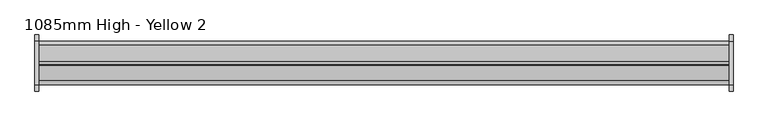
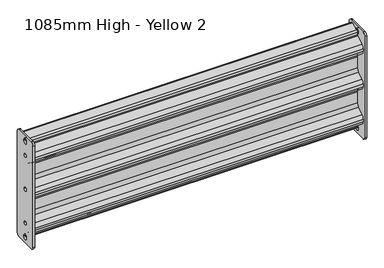
"""IFC4 building model written with IfcOpenShell, lengths in millimetres: proxy geometry, 1085mm High - Yellow 2."""

from ifc_helpers import new_model, si_unit, frame, origin, place, context, project, spatial, polyline, circle_curve, source, transform, mapped, element, save
from ifc_brep_helpers import plane_surface, cylinder_surface, revolved_surface, advanced_brep


def proxy_1085mm_high_yellow_2_5684247f(model_context):
    return source(origin(), model_context, "Body", "AdvancedBrep", [
        advanced_brep(
        [(56.0, 35.0300035, 1063.0), (56.0, -34.9699965, 1063.0), (56.0, -44.9699965, 1053.0), (56.0, -44.9699965, 693.0), (56.0, -34.9699965, 683.0), (56.0, 35.0300035, 683.0), (56.0, 45.0300035, 693.0), (56.0, 45.0300035, 1053.0), (56.0, -6.0, 993.0), (56.0, 6.0, 993.0), (56.0, -6.0, 873.0), (56.0, 6.0, 873.0), (56.0, -6.0, 753.0), (56.0, 6.0, 753.0), (56.0, 7.5, 1044.5136996), (56.0, 7.5, 1041.5136996), (56.0, 0.936228, 1034.0723639), (56.0, 0.936228, 1032.1716808), (56.0, -1.9307238, 1027.0546495), (56.0, -26.2465081, 1012.166618), (56.0, -31.9804117, 1001.9325554), (56.0, -31.9804117, 993.5396002), (56.0, -26.8156196, 983.6765412), (56.0, -6.7231133, 969.7522143), (56.0, 1.0240748, 954.9576258), (56.0, 1.0240748, 915.9623797), (56.0, -6.7920408, 901.1202606), (56.0, -26.7651814, 887.4157381), (56.0, -31.9759252, 877.520992), (56.0, -31.9759252, 868.479008), (56.0, -26.7651814, 858.5842619), (56.0, -6.7920408, 844.8797394), (56.0, 1.0240748, 830.0376203), (56.0, 1.0240748, 791.0423742), (56.0, -6.7231133, 776.2477857), (56.0, -26.8156196, 762.3234588), (56.0, -31.9804117, 752.4603998), (56.0, -31.9804117, 744.0674446), (56.0, -26.2465081, 733.833382), (56.0, -1.9307238, 718.9453505), (56.0, 0.936228, 713.8283192), (56.0, 0.936228, 711.9276361), (56.0, 7.5, 704.4863004), (56.0, 7.5, 701.4863004), (56.0, 7.4549794, 700.6657628), (56.0, 30.0143199, 693.6032957), (56.0, 31.1858037, 696.359569), (56.0, 1.4807117, 712.7832037), (56.0, 2.9322889, 715.4086416), (56.0, 32.6373808, 698.9850068), (56.0, 29.0759346, 690.7534924), (56.0, 6.5369541, 697.8095856), (56.0, -7.5, 701.4863004), (56.0, -7.5, 704.4863004), (56.0, -2.063772, 711.6967681), (56.0, -2.063772, 713.8283192), (56.0, -3.4972479, 716.3868348), (56.0, -27.8130322, 731.2748664), (56.0, -34.9804117, 744.0674446), (56.0, -34.9804117, 752.4603998), (56.0, -28.5244216, 764.7892235), (56.0, -8.4319153, 778.7135504), (56.0, -1.9759252, 791.0423742), (56.0, -1.9759252, 830.0376203), (56.0, -8.4893548, 842.4060529), (56.0, -28.4624955, 856.1105754), (56.0, -34.9759252, 868.479008), (56.0, -34.9759252, 877.520992), (56.0, -28.4624955, 889.8894246), (56.0, -8.4893548, 903.5939471), (56.0, -1.9759252, 915.9623797), (56.0, -1.9759252, 954.9576258), (56.0, -8.4319153, 967.2864496), (56.0, -28.5244216, 981.2107765), (56.0, -34.9804117, 993.5396002), (56.0, -34.9804117, 1001.9325554), (56.0, -27.8130322, 1014.7251336), (56.0, -3.4972479, 1029.6131652), (56.0, -2.063772, 1032.1716808), (56.0, -2.063772, 1034.3032319), (56.0, -7.5, 1041.5136996), (56.0, -7.5, 1044.5136996), (56.0, 6.5369541, 1048.1904144), (56.0, 29.0759346, 1055.2465076), (56.0, 32.5942872, 1046.9911672), (56.0, 2.9322889, 1030.5913584), (56.0, 1.4807117, 1033.2167963), (56.0, 31.1858037, 1049.640431), (56.0, 30.0143199, 1052.3967043), (56.0, 7.4549794, 1045.3342372), (50.0, 35.0300035, 1063.0), (50.0, 45.0300035, 1053.0), (50.0, 45.0300035, 693.0), (50.0, 35.0300035, 683.0), (50.0, -34.9699965, 683.0), (50.0, -44.9699965, 693.0), (50.0, -44.9699965, 1053.0), (50.0, -34.9699965, 1063.0), (50.0, -6.0, 993.0), (50.0, 6.0, 993.0), (50.0, -6.0, 873.0), (50.0, 6.0, 873.0), (50.0, -6.0, 753.0), (50.0, 6.0, 753.0), (50.0, 7.5, 1044.5136996), (50.0, -7.5, 1044.5136996), (50.0, -7.5, 1041.5136996), (50.0, 7.5, 1041.5136996), (50.0, -7.5, 701.4863004), (50.0, 7.5, 701.4863004), (50.0, 7.5, 704.4863004), (50.0, -7.5, 704.4863004), (1164.0, 2.8448844, 1047.0345686), (1164.0, -2.063772, 1040.354278), (1164.0, -2.063772, 1034.3032319), (1164.0, 0.936228, 1034.0723639), (1164.0, 0.936228, 1040.354278), (1164.0, 3.7411745, 1044.1715869), (1164.0, 7.4549794, 1045.3342372), (1164.0, 6.5369541, 1048.1904144), (1164.0, -2.063772, 705.645722), (1164.0, 2.8448844, 698.9654314), (1164.0, 6.5369541, 697.8095856), (1164.0, 7.4549794, 700.6657628), (1164.0, 3.7411745, 701.8284131), (1164.0, 0.936228, 705.645722), (1164.0, 0.936228, 711.9276361), (1164.0, -2.063772, 711.6967681), (56.0, 3.7411745, 1044.1715869), (56.0, 0.936228, 1040.354278), (56.0, -2.063772, 1040.354278), (56.0, 2.8448844, 1047.0345686), (56.0, 0.936228, 705.645722), (56.0, 3.7411745, 701.8284131), (56.0, 2.8448844, 698.9654314), (56.0, -2.063772, 705.645722), (1164.0, 32.5942872, 1046.9911672), (1164.0, 29.0759346, 1055.2465076), (1164.0, -2.063772, 1032.1716808), (1164.0, -3.4972479, 1029.6131652), (1164.0, -27.8130322, 1014.7251336), (1164.0, -34.9804117, 1001.9325554), (1164.0, -34.9804117, 993.5396002), (1164.0, -28.5244216, 981.2107765), (1164.0, -8.4319153, 967.2864496), (1164.0, -1.9759252, 954.9576258), (1164.0, -1.9759252, 915.9623797), (1164.0, -8.4893548, 903.5939471), (1164.0, -28.4624955, 889.8894246), (1164.0, -34.9759252, 877.520992), (1164.0, -34.9759252, 868.479008), (1164.0, -28.4624955, 856.1105754), (1164.0, -8.4893548, 842.4060529), (1164.0, -1.9759252, 830.0376203), (1164.0, -1.9759252, 791.0423742), (1164.0, -8.4319153, 778.7135504), (1164.0, -28.5244216, 764.7892235), (1164.0, -34.9804117, 752.4603998), (1164.0, -34.9804117, 744.0674446), (1164.0, -27.8130322, 731.2748664), (1164.0, -3.4972479, 716.3868348), (1164.0, -2.063772, 713.8283192), (1164.0, 29.0759346, 690.7534924), (1164.0, 32.6373808, 698.9850068), (1164.0, 2.9322889, 715.4086416), (1164.0, 1.4807117, 712.7832037), (1164.0, 31.1858037, 696.359569), (1164.0, 30.0143199, 693.6032957), (1164.0, 0.936228, 713.8283192), (1164.0, -1.9307238, 718.9453505), (1164.0, -26.2465081, 733.833382), (1164.0, -31.9804117, 744.0674446), (1164.0, -31.9804117, 752.4603998), (1164.0, -26.8156196, 762.3234588), (1164.0, -6.7231133, 776.2477857), (1164.0, 1.0240748, 791.0423742), (1164.0, 1.0240748, 830.0376203), (1164.0, -6.7920408, 844.8797394), (1164.0, -26.7651814, 858.5842619), (1164.0, -31.9759252, 868.479008), (1164.0, -31.9759252, 877.520992), (1164.0, -26.7651814, 887.4157381), (1164.0, -6.7920408, 901.1202606), (1164.0, 1.0240748, 915.9623797), (1164.0, 1.0240748, 954.9576258), (1164.0, -6.7231133, 969.7522143), (1164.0, -26.8156196, 983.6765412), (1164.0, -31.9804117, 993.5396002), (1164.0, -31.9804117, 1001.9325554), (1164.0, -26.2465081, 1012.166618), (1164.0, -1.9307238, 1027.0546495), (1164.0, 0.936228, 1032.1716808), (1164.0, 30.0143199, 1052.3967043), (1164.0, 31.1858037, 1049.640431), (1164.0, 1.4807117, 1033.2167963), (1164.0, 2.9322889, 1030.5913584), (1164.0, -34.9699965, 683.0), (1164.0, -44.9699965, 693.0), (1164.0, -44.9699965, 1053.0), (1164.0, -34.9699965, 1063.0), (1164.0, 35.0300035, 1063.0), (1164.0, 45.0300035, 1053.0), (1164.0, 45.0300035, 693.0), (1164.0, 35.0300035, 683.0), (1164.0, -6.0, 993.0), (1164.0, 6.0, 993.0), (1164.0, -6.0, 873.0), (1164.0, 6.0, 873.0), (1164.0, -6.0, 753.0), (1164.0, 6.0, 753.0), (1164.0, -7.5, 704.4863004), (1164.0, -7.5, 701.4863004), (1164.0, 7.5, 701.4863004), (1164.0, 7.5, 704.4863004), (1164.0, 7.5, 1041.5136996), (1164.0, 7.5, 1044.5136996), (1164.0, -7.5, 1044.5136996), (1164.0, -7.5, 1041.5136996), (1170.0, -34.9699965, 683.0), (1170.0, 35.0300035, 683.0), (1170.0, 45.0300035, 693.0), (1170.0, 45.0300035, 1053.0), (1170.0, 35.0300035, 1063.0), (1170.0, -34.9699965, 1063.0), (1170.0, -44.9699965, 1053.0), (1170.0, -44.9699965, 693.0), (1170.0, -6.0, 993.0), (1170.0, 6.0, 993.0), (1170.0, -6.0, 873.0), (1170.0, 6.0, 873.0), (1170.0, -6.0, 753.0), (1170.0, 6.0, 753.0), (1170.0, -7.5, 704.4863004), (1170.0, 7.5, 704.4863004), (1170.0, 7.5, 701.4863004), (1170.0, -7.5, 701.4863004), (1170.0, -7.5, 1044.5136996), (1170.0, 7.5, 1044.5136996), (1170.0, 7.5, 1041.5136996), (1170.0, -7.5, 1041.5136996)],
        [
            (0, 1),
            (1, 2, circle_curve(frame((56.0, -34.9699965, 1053.0), z_axis=(1.0, 0.0, 0.0), x_axis=(0.0, 1.0, 0.0)), 10.0)),
            (2, 3),
            (3, 4, circle_curve(frame((56.0, -34.9699965, 693.0), z_axis=(1.0, 0.0, 0.0), x_axis=(0.0, 1.0, 0.0)), 10.0)),
            (4, 5),
            (5, 6, circle_curve(frame((56.0, 35.0300035, 693.0), z_axis=(1.0, 0.0, 0.0), x_axis=(0.0, 1.0, 0.0)), 10.0)),
            (6, 7),
            (7, 0, circle_curve(frame((56.0, 35.0300035, 1053.0), z_axis=(1.0, 0.0, 0.0), x_axis=(0.0, 1.0, 0.0)), 10.0)),
            (8, 9, circle_curve(frame((56.0, 0.0, 993.0), z_axis=(-1.0, 0.0, 0.0), x_axis=(0.0, 1.0, 0.0)), 6.0)),
            (9, 8, circle_curve(frame((56.0, 0.0, 993.0), z_axis=(-1.0, 0.0, 0.0), x_axis=(0.0, 1.0, 0.0)), 6.0)),
            (10, 11, circle_curve(frame((56.0, 0.0, 873.0), z_axis=(-1.0, 0.0, 0.0), x_axis=(0.0, 1.0, 0.0)), 6.0)),
            (11, 10, circle_curve(frame((56.0, 0.0, 873.0), z_axis=(-1.0, 0.0, 0.0), x_axis=(0.0, 1.0, 0.0)), 6.0)),
            (12, 13, circle_curve(frame((56.0, 0.0, 753.0), z_axis=(-1.0, 0.0, 0.0), x_axis=(0.0, 1.0, 0.0)), 6.0)),
            (13, 12, circle_curve(frame((56.0, 0.0, 753.0), z_axis=(-1.0, 0.0, 0.0), x_axis=(0.0, 1.0, 0.0)), 6.0)),
            (14, 15),
            (15, 16, circle_curve(frame((56.0, 0.0, 1041.5136996), z_axis=(-1.0, 0.0, 0.0), x_axis=(0.0, 1.0, 0.0)), 7.5)),
            (16, 17),
            (17, 18, circle_curve(frame((56.0, -5.063772, 1032.1716808), z_axis=(-1.0, 0.0, 0.0), x_axis=(0.0, 1.0, 0.0)), 6.0)),
            (18, 19),
            (19, 20, circle_curve(frame((56.0, -19.9804117, 1001.9325554), z_axis=(1.0, 0.0, 0.0), x_axis=(0.0, 1.0, 0.0)), 12.0)),
            (20, 21),
            (21, 22, circle_curve(frame((56.0, -19.9804117, 993.5396002), z_axis=(1.0, 0.0, 0.0), x_axis=(0.0, 1.0, 0.0)), 12.0)),
            (22, 23),
            (23, 24, circle_curve(frame((56.0, -16.9759252, 954.9576258), z_axis=(-1.0, 0.0, 0.0), x_axis=(0.0, 1.0, 0.0)), 18.0)),
            (24, 25),
            (25, 26, circle_curve(frame((56.0, -16.9759252, 915.9623797), z_axis=(-1.0, 0.0, 0.0), x_axis=(0.0, 1.0, 0.0)), 18.0)),
            (26, 27),
            (27, 28, circle_curve(frame((56.0, -19.9759252, 877.520992), z_axis=(1.0, 0.0, 0.0), x_axis=(0.0, 1.0, 0.0)), 12.0)),
            (28, 29),
            (29, 30, circle_curve(frame((56.0, -19.9759252, 868.479008), z_axis=(1.0, 0.0, 0.0), x_axis=(0.0, 1.0, 0.0)), 12.0)),
            (30, 31),
            (31, 32, circle_curve(frame((56.0, -16.9759252, 830.0376203), z_axis=(-1.0, 0.0, 0.0), x_axis=(0.0, 1.0, 0.0)), 18.0)),
            (32, 33),
            (33, 34, circle_curve(frame((56.0, -16.9759252, 791.0423742), z_axis=(-1.0, 0.0, 0.0), x_axis=(0.0, 1.0, 0.0)), 18.0)),
            (34, 35),
            (35, 36, circle_curve(frame((56.0, -19.9804117, 752.4603998), z_axis=(1.0, 0.0, 0.0), x_axis=(0.0, 1.0, 0.0)), 12.0)),
            (36, 37),
            (37, 38, circle_curve(frame((56.0, -19.9804117, 744.0674446), z_axis=(1.0, 0.0, 0.0), x_axis=(0.0, 1.0, 0.0)), 12.0)),
            (38, 39),
            (39, 40, circle_curve(frame((56.0, -5.063772, 713.8283192), z_axis=(-1.0, 0.0, 0.0), x_axis=(0.0, 1.0, 0.0)), 6.0)),
            (40, 41),
            (41, 42, circle_curve(frame((56.0, 0.0, 704.4863004), z_axis=(-1.0, 0.0, 0.0), x_axis=(0.0, 1.0, 0.0)), 7.5)),
            (42, 43),
            (43, 44, circle_curve(frame((56.0, 0.0, 701.4863004), z_axis=(-1.0, 0.0, 0.0), x_axis=(0.0, 1.0, 0.0)), 7.5)),
            (44, 45),
            (45, 46, circle_curve(frame((56.0, 30.5195883, 695.0156356), z_axis=(1.0, 0.0, 0.0), x_axis=(0.0, 1.0, 0.0)), 1.5)),
            (46, 47),
            (47, 48),
            (48, 49),
            (49, 50, circle_curve(frame((56.0, 30.5119618, 695.0183857), z_axis=(-1.0, 0.0, 0.0), x_axis=(0.0, 1.0, 0.0)), 4.5001654)),
            (50, 51),
            (51, 52, circle_curve(frame((56.0, 0.0, 701.4863004), z_axis=(-1.0, 0.0, 0.0), x_axis=(0.0, 1.0, 0.0)), 7.5)),
            (52, 53),
            (53, 54, circle_curve(frame((56.0, 0.0, 704.4863004), z_axis=(-1.0, 0.0, 0.0), x_axis=(0.0, 1.0, 0.0)), 7.5)),
            (54, 55),
            (55, 56, circle_curve(frame((56.0, -5.063772, 713.8283192), z_axis=(1.0, 0.0, 0.0), x_axis=(0.0, 1.0, 0.0)), 3.0)),
            (56, 57),
            (57, 58, circle_curve(frame((56.0, -19.9804117, 744.0674446), z_axis=(-1.0, 0.0, 0.0), x_axis=(0.0, 1.0, 0.0)), 15.0)),
            (58, 59),
            (59, 60, circle_curve(frame((56.0, -19.9804117, 752.4603998), z_axis=(-1.0, 0.0, 0.0), x_axis=(0.0, 1.0, 0.0)), 15.0)),
            (60, 61),
            (61, 62, circle_curve(frame((56.0, -16.9759252, 791.0423742), z_axis=(1.0, 0.0, 0.0), x_axis=(0.0, 1.0, 0.0)), 15.0)),
            (62, 63),
            (63, 64, circle_curve(frame((56.0, -16.9759252, 830.0376203), z_axis=(1.0, 0.0, 0.0), x_axis=(0.0, 1.0, 0.0)), 15.0)),
            (64, 65),
            (65, 66, circle_curve(frame((56.0, -19.9759252, 868.479008), z_axis=(-1.0, 0.0, 0.0), x_axis=(0.0, 1.0, 0.0)), 15.0)),
            (66, 67),
            (67, 68, circle_curve(frame((56.0, -19.9759252, 877.520992), z_axis=(-1.0, 0.0, 0.0), x_axis=(0.0, 1.0, 0.0)), 15.0)),
            (68, 69),
            (69, 70, circle_curve(frame((56.0, -16.9759252, 915.9623797), z_axis=(1.0, 0.0, 0.0), x_axis=(0.0, 1.0, 0.0)), 15.0)),
            (70, 71),
            (71, 72, circle_curve(frame((56.0, -16.9759252, 954.9576258), z_axis=(1.0, 0.0, 0.0), x_axis=(0.0, 1.0, 0.0)), 15.0)),
            (72, 73),
            (73, 74, circle_curve(frame((56.0, -19.9804117, 993.5396002), z_axis=(-1.0, 0.0, 0.0), x_axis=(0.0, 1.0, 0.0)), 15.0)),
            (74, 75),
            (75, 76, circle_curve(frame((56.0, -19.9804117, 1001.9325554), z_axis=(-1.0, 0.0, 0.0), x_axis=(0.0, 1.0, 0.0)), 15.0)),
            (76, 77),
            (77, 78, circle_curve(frame((56.0, -5.063772, 1032.1716808), z_axis=(1.0, 0.0, 0.0), x_axis=(0.0, 1.0, 0.0)), 3.0)),
            (78, 79),
            (79, 80, circle_curve(frame((56.0, 0.0, 1041.5136996), z_axis=(-1.0, 0.0, 0.0), x_axis=(0.0, 1.0, 0.0)), 7.5)),
            (80, 81),
            (81, 82, circle_curve(frame((56.0, 0.0, 1044.5136996), z_axis=(-1.0, 0.0, 0.0), x_axis=(0.0, 1.0, 0.0)), 7.5)),
            (82, 83),
            (83, 84, circle_curve(frame((56.0, 30.5195883, 1050.9843644), z_axis=(-1.0, 0.0, 0.0), x_axis=(0.0, 1.0, 0.0)), 4.5)),
            (84, 85),
            (85, 86),
            (86, 87),
            (87, 88, circle_curve(frame((56.0, 30.5195883, 1050.9843644), z_axis=(1.0, 0.0, 0.0), x_axis=(0.0, 1.0, 0.0)), 1.5)),
            (88, 89),
            (89, 14, circle_curve(frame((56.0, 0.0, 1044.5136996), z_axis=(-1.0, 0.0, 0.0), x_axis=(0.0, 1.0, 0.0)), 7.5)),
            (90, 91, circle_curve(frame((50.0, 35.0300035, 1053.0), z_axis=(-1.0, 0.0, 0.0), x_axis=(0.0, 1.0, 0.0)), 10.0)),
            (91, 92),
            (92, 93, circle_curve(frame((50.0, 35.0300035, 693.0), z_axis=(-1.0, 0.0, 0.0), x_axis=(0.0, 1.0, 0.0)), 10.0)),
            (93, 94),
            (94, 95, circle_curve(frame((50.0, -34.9699965, 693.0), z_axis=(-1.0, 0.0, 0.0), x_axis=(0.0, 1.0, 0.0)), 10.0)),
            (95, 96),
            (96, 97, circle_curve(frame((50.0, -34.9699965, 1053.0), z_axis=(-1.0, 0.0, 0.0), x_axis=(0.0, 1.0, 0.0)), 10.0)),
            (97, 90),
            (98, 99, circle_curve(frame((50.0, 0.0, 993.0), z_axis=(1.0, 0.0, 0.0), x_axis=(0.0, 1.0, 0.0)), 6.0)),
            (99, 98, circle_curve(frame((50.0, 0.0, 993.0), z_axis=(1.0, 0.0, 0.0), x_axis=(0.0, 1.0, 0.0)), 6.0)),
            (100, 101, circle_curve(frame((50.0, 0.0, 873.0), z_axis=(1.0, 0.0, 0.0), x_axis=(0.0, 1.0, 0.0)), 6.0)),
            (101, 100, circle_curve(frame((50.0, 0.0, 873.0), z_axis=(1.0, 0.0, 0.0), x_axis=(0.0, 1.0, 0.0)), 6.0)),
            (102, 103, circle_curve(frame((50.0, 0.0, 753.0), z_axis=(1.0, 0.0, 0.0), x_axis=(0.0, 1.0, 0.0)), 6.0)),
            (103, 102, circle_curve(frame((50.0, 0.0, 753.0), z_axis=(1.0, 0.0, 0.0), x_axis=(0.0, 1.0, 0.0)), 6.0)),
            (104, 105, circle_curve(frame((50.0, 0.0, 1044.5136996), z_axis=(1.0, 0.0, 0.0), x_axis=(0.0, 1.0, 0.0)), 7.5)),
            (105, 106),
            (106, 107, circle_curve(frame((50.0, 0.0, 1041.5136996), z_axis=(1.0, 0.0, 0.0), x_axis=(0.0, 1.0, 0.0)), 7.5)),
            (107, 104),
            (108, 109, circle_curve(frame((50.0, 0.0, 701.4863004), z_axis=(1.0, 0.0, 0.0), x_axis=(0.0, 1.0, 0.0)), 7.5)),
            (109, 110),
            (110, 111, circle_curve(frame((50.0, 0.0, 704.4863004), z_axis=(1.0, 0.0, 0.0), x_axis=(0.0, 1.0, 0.0)), 7.5)),
            (111, 108),
            (0, 90),
            (97, 1),
            (96, 2),
            (95, 3),
            (94, 4),
            (93, 5),
            (92, 6),
            (91, 7),
            (8, 98),
            (99, 9),
            (10, 100),
            (101, 11),
            (12, 102),
            (103, 13),
            (14, 104),
            (107, 15),
            (106, 80),
            (79, 16, circle_curve(frame((56.0, 0.0, 1041.5136996), z_axis=(1.0, 0.0, 0.0), x_axis=(0.0, 1.0, 0.0)), 7.5)),
            (105, 81),
            (89, 82, circle_curve(frame((56.0, 0.0, 1044.5136996), z_axis=(1.0, 0.0, 0.0), x_axis=(0.0, 1.0, 0.0)), 7.5)),
            (52, 108),
            (111, 53),
            (110, 42),
            (41, 54, circle_curve(frame((56.0, 0.0, 704.4863004), z_axis=(1.0, 0.0, 0.0), x_axis=(0.0, 1.0, 0.0)), 7.5)),
            (109, 43),
            (51, 44, circle_curve(frame((56.0, 0.0, 701.4863004), z_axis=(1.0, 0.0, 0.0), x_axis=(0.0, 1.0, 0.0)), 7.5)),
            (112, 113, circle_curve(frame((1164.0, 4.936228, 1040.354278), z_axis=(1.0, 0.0, 0.0), x_axis=(0.0, 1.0, 0.0)), 7.0)),
            (113, 114),
            (114, 115, circle_curve(frame((1164.0, 0.0, 1041.5136996), z_axis=(1.0, 0.0, 0.0), x_axis=(0.0, 1.0, 0.0)), 7.5)),
            (115, 116),
            (116, 117, circle_curve(frame((1164.0, 4.936228, 1040.354278), z_axis=(-1.0, 0.0, 0.0), x_axis=(0.0, 1.0, 0.0)), 4.0)),
            (117, 118),
            (118, 119, circle_curve(frame((1164.0, 0.0, 1044.5136996), z_axis=(1.0, 0.0, 0.0), x_axis=(0.0, 1.0, 0.0)), 7.5)),
            (119, 112),
            (120, 121, circle_curve(frame((1164.0, 4.936228, 705.645722), z_axis=(1.0, 0.0, 0.0), x_axis=(0.0, 1.0, 0.0)), 7.0)),
            (121, 122),
            (122, 123, circle_curve(frame((1164.0, 0.0, 701.4863004), z_axis=(1.0, 0.0, 0.0), x_axis=(0.0, 1.0, 0.0)), 7.5)),
            (123, 124),
            (124, 125, circle_curve(frame((1164.0, 4.936228, 705.645722), z_axis=(-1.0, 0.0, 0.0), x_axis=(0.0, 1.0, 0.0)), 4.0)),
            (125, 126),
            (126, 127, circle_curve(frame((1164.0, 0.0, 704.4863004), z_axis=(1.0, 0.0, 0.0), x_axis=(0.0, 1.0, 0.0)), 7.5)),
            (127, 120),
            (128, 129, circle_curve(frame((56.0, 4.936228, 1040.354278), z_axis=(1.0, 0.0, 0.0), x_axis=(0.0, 1.0, 0.0)), 4.0)),
            (129, 16),
            (79, 130),
            (130, 131, circle_curve(frame((56.0, 4.936228, 1040.354278), z_axis=(-1.0, 0.0, 0.0), x_axis=(0.0, 1.0, 0.0)), 7.0)),
            (131, 82),
            (89, 128),
            (132, 133, circle_curve(frame((56.0, 4.936228, 705.645722), z_axis=(1.0, 0.0, 0.0), x_axis=(0.0, 1.0, 0.0)), 4.0)),
            (133, 44),
            (51, 134),
            (134, 135, circle_curve(frame((56.0, 4.936228, 705.645722), z_axis=(-1.0, 0.0, 0.0), x_axis=(0.0, 1.0, 0.0)), 7.0)),
            (135, 54),
            (41, 132),
            (136, 84),
            (83, 137),
            (137, 136, circle_curve(frame((1164.0, 30.5195883, 1050.9843644), z_axis=(-1.0, 0.0, 0.0), x_axis=(0.0, 1.0, 0.0)), 4.5)),
            (131, 112),
            (119, 137),
            (130, 113),
            (78, 138),
            (138, 114),
            (77, 139),
            (139, 138, circle_curve(frame((1164.0, -5.063772, 1032.1716808), z_axis=(1.0, 0.0, 0.0), x_axis=(0.0, 1.0, 0.0)), 3.0)),
            (76, 140),
            (140, 139),
            (75, 141),
            (141, 140, circle_curve(frame((1164.0, -19.9804117, 1001.9325554), z_axis=(-1.0, 0.0, 0.0), x_axis=(0.0, 1.0, 0.0)), 15.0)),
            (74, 142),
            (142, 141),
            (73, 143),
            (143, 142, circle_curve(frame((1164.0, -19.9804117, 993.5396002), z_axis=(-1.0, 0.0, 0.0), x_axis=(0.0, 1.0, 0.0)), 15.0)),
            (72, 144),
            (144, 143),
            (71, 145),
            (145, 144, circle_curve(frame((1164.0, -16.9759252, 954.9576258), z_axis=(1.0, 0.0, 0.0), x_axis=(0.0, 1.0, 0.0)), 15.0)),
            (70, 146),
            (146, 145),
            (69, 147),
            (147, 146, circle_curve(frame((1164.0, -16.9759252, 915.9623797), z_axis=(1.0, 0.0, 0.0), x_axis=(0.0, 1.0, 0.0)), 15.0)),
            (68, 148),
            (148, 147),
            (67, 149),
            (149, 148, circle_curve(frame((1164.0, -19.9759252, 877.520992), z_axis=(-1.0, 0.0, 0.0), x_axis=(0.0, 1.0, 0.0)), 15.0)),
            (66, 150),
            (150, 149),
            (65, 151),
            (151, 150, circle_curve(frame((1164.0, -19.9759252, 868.479008), z_axis=(-1.0, 0.0, 0.0), x_axis=(0.0, 1.0, 0.0)), 15.0)),
            (64, 152),
            (152, 151),
            (63, 153),
            (153, 152, circle_curve(frame((1164.0, -16.9759252, 830.0376203), z_axis=(1.0, 0.0, 0.0), x_axis=(0.0, 1.0, 0.0)), 15.0)),
            (62, 154),
            (154, 153),
            (61, 155),
            (155, 154, circle_curve(frame((1164.0, -16.9759252, 791.0423742), z_axis=(1.0, 0.0, 0.0), x_axis=(0.0, 1.0, 0.0)), 15.0)),
            (60, 156),
            (156, 155),
            (59, 157),
            (157, 156, circle_curve(frame((1164.0, -19.9804117, 752.4603998), z_axis=(-1.0, 0.0, 0.0), x_axis=(0.0, 1.0, 0.0)), 15.0)),
            (58, 158),
            (158, 157),
            (57, 159),
            (159, 158, circle_curve(frame((1164.0, -19.9804117, 744.0674446), z_axis=(-1.0, 0.0, 0.0), x_axis=(0.0, 1.0, 0.0)), 15.0)),
            (56, 160),
            (160, 159),
            (55, 161),
            (161, 160, circle_curve(frame((1164.0, -5.063772, 713.8283192), z_axis=(1.0, 0.0, 0.0), x_axis=(0.0, 1.0, 0.0)), 3.0)),
            (135, 120),
            (127, 161),
            (134, 121),
            (50, 162),
            (162, 122),
            (49, 163),
            (163, 162, circle_curve(frame((1164.0, 30.5119618, 695.0183857), z_axis=(-1.0, 0.0, 0.0), x_axis=(0.0, 1.0, 0.0)), 4.5001654)),
            (48, 164),
            (164, 163),
            (47, 165),
            (165, 164),
            (46, 166),
            (166, 165),
            (45, 167),
            (167, 166, circle_curve(frame((1164.0, 30.5195883, 695.0156356), z_axis=(1.0, 0.0, 0.0), x_axis=(0.0, 1.0, 0.0)), 1.5)),
            (133, 124),
            (123, 167),
            (132, 125),
            (40, 168),
            (168, 126),
            (39, 169),
            (169, 168, circle_curve(frame((1164.0, -5.063772, 713.8283192), z_axis=(-1.0, 0.0, 0.0), x_axis=(0.0, 1.0, 0.0)), 6.0)),
            (38, 170),
            (170, 169),
            (37, 171),
            (171, 170, circle_curve(frame((1164.0, -19.9804117, 744.0674446), z_axis=(1.0, 0.0, 0.0), x_axis=(0.0, 1.0, 0.0)), 12.0)),
            (36, 172),
            (172, 171),
            (35, 173),
            (173, 172, circle_curve(frame((1164.0, -19.9804117, 752.4603998), z_axis=(1.0, 0.0, 0.0), x_axis=(0.0, 1.0, 0.0)), 12.0)),
            (34, 174),
            (174, 173),
            (33, 175),
            (175, 174, circle_curve(frame((1164.0, -16.9759252, 791.0423742), z_axis=(-1.0, 0.0, 0.0), x_axis=(0.0, 1.0, 0.0)), 18.0)),
            (32, 176),
            (176, 175),
            (31, 177),
            (177, 176, circle_curve(frame((1164.0, -16.9759252, 830.0376203), z_axis=(-1.0, 0.0, 0.0), x_axis=(0.0, 1.0, 0.0)), 18.0)),
            (30, 178),
            (178, 177),
            (29, 179),
            (179, 178, circle_curve(frame((1164.0, -19.9759252, 868.479008), z_axis=(1.0, 0.0, 0.0), x_axis=(0.0, 1.0, 0.0)), 12.0)),
            (28, 180),
            (180, 179),
            (27, 181),
            (181, 180, circle_curve(frame((1164.0, -19.9759252, 877.520992), z_axis=(1.0, 0.0, 0.0), x_axis=(0.0, 1.0, 0.0)), 12.0)),
            (26, 182),
            (182, 181),
            (25, 183),
            (183, 182, circle_curve(frame((1164.0, -16.9759252, 915.9623797), z_axis=(-1.0, 0.0, 0.0), x_axis=(0.0, 1.0, 0.0)), 18.0)),
            (24, 184),
            (184, 183),
            (23, 185),
            (185, 184, circle_curve(frame((1164.0, -16.9759252, 954.9576258), z_axis=(-1.0, 0.0, 0.0), x_axis=(0.0, 1.0, 0.0)), 18.0)),
            (22, 186),
            (186, 185),
            (21, 187),
            (187, 186, circle_curve(frame((1164.0, -19.9804117, 993.5396002), z_axis=(1.0, 0.0, 0.0), x_axis=(0.0, 1.0, 0.0)), 12.0)),
            (20, 188),
            (188, 187),
            (19, 189),
            (189, 188, circle_curve(frame((1164.0, -19.9804117, 1001.9325554), z_axis=(1.0, 0.0, 0.0), x_axis=(0.0, 1.0, 0.0)), 12.0)),
            (18, 190),
            (190, 189),
            (17, 191),
            (191, 190, circle_curve(frame((1164.0, -5.063772, 1032.1716808), z_axis=(-1.0, 0.0, 0.0), x_axis=(0.0, 1.0, 0.0)), 6.0)),
            (129, 116),
            (115, 191),
            (128, 117),
            (88, 192),
            (192, 118),
            (87, 193),
            (193, 192, circle_curve(frame((1164.0, 30.5195883, 1050.9843644), z_axis=(1.0, 0.0, 0.0), x_axis=(0.0, 1.0, 0.0)), 1.5)),
            (86, 194),
            (194, 193),
            (85, 195),
            (195, 194),
            (136, 195),
            (196, 197, circle_curve(frame((1164.0, -34.9699965, 693.0), z_axis=(-1.0, 0.0, 0.0), x_axis=(0.0, 1.0, 0.0)), 10.0)),
            (197, 198),
            (198, 199, circle_curve(frame((1164.0, -34.9699965, 1053.0), z_axis=(-1.0, 0.0, 0.0), x_axis=(0.0, 1.0, 0.0)), 10.0)),
            (199, 200),
            (200, 201, circle_curve(frame((1164.0, 35.0300035, 1053.0), z_axis=(-1.0, 0.0, 0.0), x_axis=(0.0, 1.0, 0.0)), 10.0)),
            (201, 202),
            (202, 203, circle_curve(frame((1164.0, 35.0300035, 693.0), z_axis=(-1.0, 0.0, 0.0), x_axis=(0.0, 1.0, 0.0)), 10.0)),
            (203, 196),
            (204, 205, circle_curve(frame((1164.0, 0.0, 993.0), z_axis=(1.0, 0.0, 0.0), x_axis=(0.0, 1.0, 0.0)), 6.0)),
            (205, 204, circle_curve(frame((1164.0, 0.0, 993.0), z_axis=(1.0, 0.0, 0.0), x_axis=(0.0, 1.0, 0.0)), 6.0)),
            (206, 207, circle_curve(frame((1164.0, 0.0, 873.0), z_axis=(1.0, 0.0, 0.0), x_axis=(0.0, 1.0, 0.0)), 6.0)),
            (207, 206, circle_curve(frame((1164.0, 0.0, 873.0), z_axis=(1.0, 0.0, 0.0), x_axis=(0.0, 1.0, 0.0)), 6.0)),
            (208, 209, circle_curve(frame((1164.0, 0.0, 753.0), z_axis=(1.0, 0.0, 0.0), x_axis=(0.0, 1.0, 0.0)), 6.0)),
            (209, 208, circle_curve(frame((1164.0, 0.0, 753.0), z_axis=(1.0, 0.0, 0.0), x_axis=(0.0, 1.0, 0.0)), 6.0)),
            (210, 211),
            (211, 122, circle_curve(frame((1164.0, 0.0, 701.4863004), z_axis=(1.0, 0.0, 0.0), x_axis=(0.0, 1.0, 0.0)), 7.5)),
            (123, 212, circle_curve(frame((1164.0, 0.0, 701.4863004), z_axis=(1.0, 0.0, 0.0), x_axis=(0.0, 1.0, 0.0)), 7.5)),
            (212, 213),
            (213, 126, circle_curve(frame((1164.0, 0.0, 704.4863004), z_axis=(1.0, 0.0, 0.0), x_axis=(0.0, 1.0, 0.0)), 7.5)),
            (115, 214, circle_curve(frame((1164.0, 0.0, 1041.5136996), z_axis=(1.0, 0.0, 0.0), x_axis=(0.0, 1.0, 0.0)), 7.5)),
            (214, 215),
            (215, 118, circle_curve(frame((1164.0, 0.0, 1044.5136996), z_axis=(1.0, 0.0, 0.0), x_axis=(0.0, 1.0, 0.0)), 7.5)),
            (119, 216, circle_curve(frame((1164.0, 0.0, 1044.5136996), z_axis=(1.0, 0.0, 0.0), x_axis=(0.0, 1.0, 0.0)), 7.5)),
            (216, 217),
            (217, 114, circle_curve(frame((1164.0, 0.0, 1041.5136996), z_axis=(1.0, 0.0, 0.0), x_axis=(0.0, 1.0, 0.0)), 7.5)),
            (127, 210, circle_curve(frame((1164.0, 0.0, 704.4863004), z_axis=(1.0, 0.0, 0.0), x_axis=(0.0, 1.0, 0.0)), 7.5)),
            (218, 219),
            (219, 220, circle_curve(frame((1170.0, 35.0300035, 693.0), z_axis=(1.0, 0.0, 0.0), x_axis=(0.0, 1.0, 0.0)), 10.0)),
            (220, 221),
            (221, 222, circle_curve(frame((1170.0, 35.0300035, 1053.0), z_axis=(1.0, 0.0, 0.0), x_axis=(0.0, 1.0, 0.0)), 10.0)),
            (222, 223),
            (223, 224, circle_curve(frame((1170.0, -34.9699965, 1053.0), z_axis=(1.0, 0.0, 0.0), x_axis=(0.0, 1.0, 0.0)), 10.0)),
            (224, 225),
            (225, 218, circle_curve(frame((1170.0, -34.9699965, 693.0), z_axis=(1.0, 0.0, 0.0), x_axis=(0.0, 1.0, 0.0)), 10.0)),
            (226, 227, circle_curve(frame((1170.0, 0.0, 993.0), z_axis=(-1.0, 0.0, 0.0), x_axis=(0.0, 1.0, 0.0)), 6.0)),
            (227, 226, circle_curve(frame((1170.0, 0.0, 993.0), z_axis=(-1.0, 0.0, 0.0), x_axis=(0.0, 1.0, 0.0)), 6.0)),
            (228, 229, circle_curve(frame((1170.0, 0.0, 873.0), z_axis=(-1.0, 0.0, 0.0), x_axis=(0.0, 1.0, 0.0)), 6.0)),
            (229, 228, circle_curve(frame((1170.0, 0.0, 873.0), z_axis=(-1.0, 0.0, 0.0), x_axis=(0.0, 1.0, 0.0)), 6.0)),
            (230, 231, circle_curve(frame((1170.0, 0.0, 753.0), z_axis=(-1.0, 0.0, 0.0), x_axis=(0.0, 1.0, 0.0)), 6.0)),
            (231, 230, circle_curve(frame((1170.0, 0.0, 753.0), z_axis=(-1.0, 0.0, 0.0), x_axis=(0.0, 1.0, 0.0)), 6.0)),
            (232, 233, circle_curve(frame((1170.0, 0.0, 704.4863004), z_axis=(-1.0, 0.0, 0.0), x_axis=(0.0, 1.0, 0.0)), 7.5)),
            (233, 234),
            (234, 235, circle_curve(frame((1170.0, 0.0, 701.4863004), z_axis=(-1.0, 0.0, 0.0), x_axis=(0.0, 1.0, 0.0)), 7.5)),
            (235, 232),
            (236, 237, circle_curve(frame((1170.0, 0.0, 1044.5136996), z_axis=(-1.0, 0.0, 0.0), x_axis=(0.0, 1.0, 0.0)), 7.5)),
            (237, 238),
            (238, 239, circle_curve(frame((1170.0, 0.0, 1041.5136996), z_axis=(-1.0, 0.0, 0.0), x_axis=(0.0, 1.0, 0.0)), 7.5)),
            (239, 236),
            (203, 219),
            (218, 196),
            (202, 220),
            (201, 221),
            (200, 222),
            (199, 223),
            (198, 224),
            (197, 225),
            (205, 227),
            (226, 204),
            (207, 229),
            (228, 206),
            (209, 231),
            (230, 208),
            (232, 210),
            (213, 233),
            (212, 234),
            (211, 235),
            (236, 216),
            (215, 237),
            (214, 238),
            (217, 239),
        ],
        [
            plane_surface(frame((56.0, -2826.5161703, 1063.0), z_axis=(1.0, 0.0, 0.0), x_axis=(0.0, -1.0, 0.0))),
            plane_surface(frame((50.0, -2826.5161703, 1063.0), z_axis=(-1.0, 0.0, 0.0), x_axis=(0.0, 1.0, 0.0))),
            plane_surface(frame((56.0, 35.0300035, 1063.0), z_axis=(0.0, 0.0, 1.0), x_axis=(-1.0, 0.0, 0.0))),
            cylinder_surface(frame((50.0, -34.9699965, 1053.0), z_axis=(1.0, 0.0, 0.0), x_axis=(0.0, 1.0, 0.0)), 10.0),
            plane_surface(frame((56.0, -44.9699965, 1053.0), z_axis=(0.0, -1.0, 0.0), x_axis=(-1.0, 0.0, 0.0))),
            cylinder_surface(frame((50.0, -34.9699965, 693.0), z_axis=(1.0, 0.0, 0.0), x_axis=(0.0, 1.0, 0.0)), 10.0),
            plane_surface(frame((56.0, -34.9699965, 683.0), z_axis=(0.0, 0.0, -1.0), x_axis=(-1.0, 0.0, 0.0))),
            cylinder_surface(frame((50.0, 35.0300035, 693.0), z_axis=(1.0, 0.0, 0.0), x_axis=(0.0, 1.0, 0.0)), 10.0),
            plane_surface(frame((56.0, 45.0300035, 693.0), z_axis=(0.0, 1.0, 0.0), x_axis=(-1.0, 0.0, 0.0))),
            cylinder_surface(frame((50.0, 35.0300035, 1053.0), z_axis=(1.0, 0.0, 0.0), x_axis=(0.0, 1.0, 0.0)), 10.0),
            revolved_surface(polyline([(50.0, 6.0, 993.0), (56.0, 6.0, 993.0)]), (50.0, 0.0, 993.0), (-1.0, 0.0, 0.0)),
            revolved_surface(polyline([(50.0, 6.0, 873.0), (56.0, 6.0, 873.0)]), (50.0, 0.0, 873.0), (-1.0, 0.0, 0.0)),
            revolved_surface(polyline([(50.0, 6.0, 753.0), (56.0, 6.0, 753.0)]), (50.0, 0.0, 753.0), (-1.0, 0.0, 0.0)),
            plane_surface(frame((56.0, 7.5, 1044.5136996), z_axis=(0.0, -1.0, 0.0), x_axis=(-1.0, 0.0, 0.0))),
            revolved_surface(polyline([(50.0, 7.5, 1041.5136996), (56.0, 7.5, 1041.5136996)]), (50.0, 0.0, 1041.5136996), (-1.0, 0.0, 0.0)),
            plane_surface(frame((56.0, -7.5, 1041.5136996), z_axis=(0.0, 1.0, 0.0), x_axis=(-1.0, 0.0, 0.0))),
            revolved_surface(polyline([(50.0, 7.5, 1044.5136996), (56.0, 7.5, 1044.5136996)]), (50.0, 0.0, 1044.5136996), (-1.0, 0.0, 0.0)),
            plane_surface(frame((56.0, -7.5, 701.4863004), z_axis=(0.0, 1.0, 0.0), x_axis=(-1.0, 0.0, 0.0))),
            revolved_surface(polyline([(50.0, 7.5, 704.4863004), (56.0, 7.5, 704.4863004)]), (50.0, 0.0, 704.4863004), (-1.0, 0.0, 0.0)),
            plane_surface(frame((56.0, 7.5, 704.4863004), z_axis=(0.0, -1.0, 0.0), x_axis=(-1.0, 0.0, 0.0))),
            revolved_surface(polyline([(50.0, 7.5, 701.4863004), (56.0, 7.5, 701.4863004)]), (50.0, 0.0, 701.4863004), (-1.0, 0.0, 0.0)),
            plane_surface(frame((1164.0, 35.0195883, 1050.9843644), z_axis=(1.0, 0.0, 0.0), x_axis=(0.0, 0.0, 1.0))),
            plane_surface(frame((56.0, 35.0195883, 1050.9843644), z_axis=(-1.0, 0.0, 0.0), x_axis=(0.0, 0.0, -1.0))),
            cylinder_surface(frame((56.0, 30.5195883, 1050.9843644), z_axis=(1.0, 0.0, 0.0), x_axis=(0.0, 1.0, 0.0)), 4.5),
            plane_surface(frame((1164.0, 29.0759346, 1055.2465076), z_axis=(0.0, -0.2987633705171458, 0.9543272229362604), x_axis=(-1.0, 0.0, 0.0))),
            cylinder_surface(frame((56.0, 4.936228, 1040.354278), z_axis=(1.0, 0.0, 0.0), x_axis=(0.0, 1.0, 0.0)), 7.0),
            plane_surface(frame((1164.0, -2.063772, 1040.354278), z_axis=(0.0, -1.0, 0.0), x_axis=(-1.0, 0.0, 0.0))),
            revolved_surface(polyline([(56.0, -2.063772, 1032.1716808), (1164.0, -2.063772, 1032.1716808)]), (56.0, -5.063772, 1032.1716808), (-1.0, 0.0, 0.0)),
            plane_surface(frame((1164.0, -3.4972479, 1029.6131652), z_axis=(0.0, -0.5221746939185168, 0.8528385480447652), x_axis=(-1.0, 0.0, 0.0))),
            cylinder_surface(frame((56.0, -19.9804117, 1001.9325554), z_axis=(1.0, 0.0, 0.0), x_axis=(0.0, 1.0, 0.0)), 15.0),
            plane_surface(frame((1164.0, -34.9804117, 1001.9325554), z_axis=(0.0, -1.0, 0.0), x_axis=(-1.0, 0.0, 0.0))),
            cylinder_surface(frame((56.0, -19.9804117, 993.5396002), z_axis=(1.0, 0.0, 0.0), x_axis=(0.0, 1.0, 0.0)), 15.0),
            plane_surface(frame((1164.0, -28.5244216, 981.2107765), z_axis=(0.0, -0.5696006582891535, -0.8219215838974927), x_axis=(-1.0, 0.0, 0.0))),
            revolved_surface(polyline([(56.0, -1.975925199999999, 954.9576258), (1164.0, -1.975925199999999, 954.9576258)]), (56.0, -16.9759252, 954.9576258), (-1.0, 0.0, 0.0)),
            plane_surface(frame((1164.0, -1.9759252, 954.9576258), z_axis=(0.0, -1.0, 0.0), x_axis=(-1.0, 0.0, 0.0))),
            revolved_surface(polyline([(56.0, -1.975925199999999, 915.9623797), (1164.0, -1.975925199999999, 915.9623797)]), (56.0, -16.9759252, 915.9623797), (-1.0, 0.0, 0.0)),
            plane_surface(frame((1164.0, -8.4893548, 903.5939471), z_axis=(0.0, -0.5657713551408987, 0.8245621709137712), x_axis=(-1.0, 0.0, 0.0))),
            cylinder_surface(frame((56.0, -19.9759252, 877.520992), z_axis=(1.0, 0.0, 0.0), x_axis=(0.0, 1.0, 0.0)), 15.0),
            plane_surface(frame((1164.0, -34.9759252, 877.520992), z_axis=(0.0, -1.0, 0.0), x_axis=(-1.0, 0.0, 0.0))),
            cylinder_surface(frame((56.0, -19.9759252, 868.479008), z_axis=(1.0, 0.0, 0.0), x_axis=(0.0, 1.0, 0.0)), 15.0),
            plane_surface(frame((1164.0, -28.4624955, 856.1105754), z_axis=(0.0, -0.5657713551409471, -0.824562170913738), x_axis=(-1.0, 0.0, 0.0))),
            revolved_surface(polyline([(56.0, -1.975925199999999, 830.0376203), (1164.0, -1.975925199999999, 830.0376203)]), (56.0, -16.9759252, 830.0376203), (-1.0, 0.0, 0.0)),
            plane_surface(frame((1164.0, -1.9759252, 830.0376203), z_axis=(0.0, -1.0, 0.0), x_axis=(-1.0, 0.0, 0.0))),
            revolved_surface(polyline([(56.0, -1.975925199999999, 791.0423742), (1164.0, -1.975925199999999, 791.0423742)]), (56.0, -16.9759252, 791.0423742), (-1.0, 0.0, 0.0)),
            plane_surface(frame((1164.0, -8.4319153, 778.7135504), z_axis=(0.0, -0.5696006582891319, 0.8219215838975077), x_axis=(-1.0, 0.0, 0.0))),
            cylinder_surface(frame((56.0, -19.9804117, 752.4603998), z_axis=(1.0, 0.0, 0.0), x_axis=(0.0, 1.0, 0.0)), 15.0),
            plane_surface(frame((1164.0, -34.9804117, 752.4603998), z_axis=(0.0, -1.0, 0.0), x_axis=(-1.0, 0.0, 0.0))),
            cylinder_surface(frame((56.0, -19.9804117, 744.0674446), z_axis=(1.0, 0.0, 0.0), x_axis=(0.0, 1.0, 0.0)), 15.0),
            plane_surface(frame((1164.0, -27.8130322, 731.2748664), z_axis=(0.0, -0.5221746939185044, -0.8528385480447729), x_axis=(-1.0, 0.0, 0.0))),
            revolved_surface(polyline([(56.0, -2.063772, 713.8283192), (1164.0, -2.063772, 713.8283192)]), (56.0, -5.063772, 713.8283192), (-1.0, 0.0, 0.0)),
            plane_surface(frame((1164.0, -2.063772, 713.8283192), z_axis=(0.0, -1.0, 0.0), x_axis=(-1.0, 0.0, 0.0))),
            cylinder_surface(frame((56.0, 4.936228, 705.645722), z_axis=(1.0, 0.0, 0.0), x_axis=(0.0, 1.0, 0.0)), 7.0),
            plane_surface(frame((1164.0, 2.8448844, 698.9654314), z_axis=(0.0, -0.29876337051715274, -0.9543272229362583), x_axis=(-1.0, 0.0, 0.0))),
            cylinder_surface(frame((56.0, 30.5119618, 695.0183857), z_axis=(1.0, 0.0, 0.0), x_axis=(0.0, 1.0, 0.0)), 4.5001654),
            plane_surface(frame((1164.0, 32.6373808, 698.9850068), z_axis=(0.0, 0.4838590437242906, 0.8751459454320835), x_axis=(-1.0, 0.0, 0.0))),
            plane_surface(frame((1164.0, 2.9322889, 715.4086416), z_axis=(0.0, -0.8751459454321414, 0.4838590437241857), x_axis=(-1.0, 0.0, 0.0))),
            plane_surface(frame((1164.0, 1.4807117, 712.7832037), z_axis=(0.0, -0.483859043724299, -0.8751459454320787), x_axis=(-1.0, 0.0, 0.0))),
            revolved_surface(polyline([(56.0, 32.019588299999995, 695.0156356), (1164.0, 32.019588299999995, 695.0156356)]), (56.0, 30.5195883, 695.0156356), (-1.0, 0.0, 0.0)),
            plane_surface(frame((1164.0, 30.0143199, 693.6032957), z_axis=(0.0, 0.2987633705171543, 0.9543272229362576), x_axis=(-1.0, 0.0, 0.0))),
            revolved_surface(polyline([(56.0, 8.936228, 705.645722), (1164.0, 8.936228, 705.645722)]), (56.0, 4.936228, 705.645722), (-1.0, 0.0, 0.0)),
            plane_surface(frame((1164.0, 0.936228, 705.645722), z_axis=(0.0, 1.0, 0.0), x_axis=(-1.0, 0.0, 0.0))),
            cylinder_surface(frame((56.0, -5.063772, 713.8283192), z_axis=(1.0, 0.0, 0.0), x_axis=(0.0, 1.0, 0.0)), 6.0),
            plane_surface(frame((1164.0, -1.9307238, 718.9453505), z_axis=(0.0, 0.5221746939184158, 0.8528385480448271), x_axis=(-1.0, 0.0, 0.0))),
            revolved_surface(polyline([(56.0, -7.980411700000001, 744.0674446), (1164.0, -7.980411700000001, 744.0674446)]), (56.0, -19.9804117, 744.0674446), (-1.0, 0.0, 0.0)),
            plane_surface(frame((1164.0, -31.9804117, 744.0674446), z_axis=(0.0, 1.0, 0.0), x_axis=(-1.0, 0.0, 0.0))),
            revolved_surface(polyline([(56.0, -7.980411700000001, 752.4603998), (1164.0, -7.980411700000001, 752.4603998)]), (56.0, -19.9804117, 752.4603998), (-1.0, 0.0, 0.0)),
            plane_surface(frame((1164.0, -26.8156196, 762.3234588), z_axis=(0.0, 0.5696006582892139, -0.8219215838974507), x_axis=(-1.0, 0.0, 0.0))),
            cylinder_surface(frame((56.0, -16.9759252, 791.0423742), z_axis=(1.0, 0.0, 0.0), x_axis=(0.0, 1.0, 0.0)), 18.0),
            plane_surface(frame((1164.0, 1.0240748, 791.0423742), z_axis=(0.0, 1.0, 0.0), x_axis=(-1.0, 0.0, 0.0))),
            cylinder_surface(frame((56.0, -16.9759252, 830.0376203), z_axis=(1.0, 0.0, 0.0), x_axis=(0.0, 1.0, 0.0)), 18.0),
            plane_surface(frame((1164.0, -6.7920408, 844.8797394), z_axis=(0.0, 0.5657713551409737, 0.8245621709137197), x_axis=(-1.0, 0.0, 0.0))),
            revolved_surface(polyline([(56.0, -7.975925199999999, 868.479008), (1164.0, -7.975925199999999, 868.479008)]), (56.0, -19.9759252, 868.479008), (-1.0, 0.0, 0.0)),
            plane_surface(frame((1164.0, -31.9759252, 868.479008), z_axis=(0.0, 1.0, 0.0), x_axis=(-1.0, 0.0, 0.0))),
            revolved_surface(polyline([(56.0, -7.975925199999999, 877.520992), (1164.0, -7.975925199999999, 877.520992)]), (56.0, -19.9759252, 877.520992), (-1.0, 0.0, 0.0)),
            plane_surface(frame((1164.0, -26.7651814, 887.4157381), z_axis=(0.0, 0.5657713551408932, -0.8245621709137749), x_axis=(-1.0, 0.0, 0.0))),
            cylinder_surface(frame((56.0, -16.9759252, 915.9623797), z_axis=(1.0, 0.0, 0.0), x_axis=(0.0, 1.0, 0.0)), 18.0),
            plane_surface(frame((1164.0, 1.0240748, 915.9623797), z_axis=(0.0, 1.0, 0.0), x_axis=(-1.0, 0.0, 0.0))),
            cylinder_surface(frame((56.0, -16.9759252, 954.9576258), z_axis=(1.0, 0.0, 0.0), x_axis=(0.0, 1.0, 0.0)), 18.0),
            plane_surface(frame((1164.0, -6.7231133, 969.7522143), z_axis=(0.0, 0.5696006582892167, 0.8219215838974488), x_axis=(-1.0, 0.0, 0.0))),
            revolved_surface(polyline([(56.0, -7.980411700000001, 993.5396002), (1164.0, -7.980411700000001, 993.5396002)]), (56.0, -19.9804117, 993.5396002), (-1.0, 0.0, 0.0)),
            plane_surface(frame((1164.0, -31.9804117, 993.5396002), z_axis=(0.0, 1.0, 0.0), x_axis=(-1.0, 0.0, 0.0))),
            revolved_surface(polyline([(56.0, -7.980411700000001, 1001.9325554), (1164.0, -7.980411700000001, 1001.9325554)]), (56.0, -19.9804117, 1001.9325554), (-1.0, 0.0, 0.0)),
            plane_surface(frame((1164.0, -26.2465081, 1012.166618), z_axis=(0.0, 0.5221746939184164, -0.8528385480448267), x_axis=(-1.0, 0.0, 0.0))),
            cylinder_surface(frame((56.0, -5.063772, 1032.1716808), z_axis=(1.0, 0.0, 0.0), x_axis=(0.0, 1.0, 0.0)), 6.0),
            plane_surface(frame((1164.0, 0.936228, 1032.1716808), z_axis=(0.0, 1.0, 0.0), x_axis=(-1.0, 0.0, 0.0))),
            revolved_surface(polyline([(56.0, 8.936228, 1040.354278), (1164.0, 8.936228, 1040.354278)]), (56.0, 4.936228, 1040.354278), (-1.0, 0.0, 0.0)),
            plane_surface(frame((1164.0, 3.7411745, 1044.1715869), z_axis=(0.0, 0.2987633705171479, -0.9543272229362596), x_axis=(-1.0, 0.0, 0.0))),
            revolved_surface(polyline([(56.0, 32.019588299999995, 1050.9843644), (1164.0, 32.019588299999995, 1050.9843644)]), (56.0, 30.5195883, 1050.9843644), (-1.0, 0.0, 0.0)),
            plane_surface(frame((1164.0, 31.1858037, 1049.640431), z_axis=(0.0, -0.4838590437242906, 0.8751459454320835), x_axis=(-1.0, 0.0, 0.0))),
            plane_surface(frame((1164.0, 1.4807117, 1033.2167963), z_axis=(0.0, -0.8751459454321326, -0.4838590437242016), x_axis=(-1.0, 0.0, 0.0))),
            plane_surface(frame((1164.0, 2.9322889, 1030.5913584), z_axis=(0.0, 0.4838590437242859, -0.875145945432086), x_axis=(-1.0, 0.0, 0.0))),
            plane_surface(frame((1164.0, 1442.4208958, 683.0), z_axis=(-1.0, 0.0, 0.0), x_axis=(0.0, -1.0, 0.0))),
            plane_surface(frame((1170.0, 1442.4208958, 683.0), z_axis=(1.0, 0.0, 0.0), x_axis=(0.0, 1.0, 0.0))),
            plane_surface(frame((1170.0, -34.9699965, 683.0), z_axis=(0.0, 0.0, -1.0), x_axis=(-1.0, 0.0, 0.0))),
            cylinder_surface(frame((1164.0, 35.0300035, 693.0), z_axis=(1.0, 0.0, 0.0), x_axis=(0.0, 1.0, 0.0)), 10.0),
            plane_surface(frame((1170.0, 45.0300035, 693.0), z_axis=(0.0, 1.0, 0.0), x_axis=(-1.0, 0.0, 0.0))),
            cylinder_surface(frame((1164.0, 35.0300035, 1053.0), z_axis=(1.0, 0.0, 0.0), x_axis=(0.0, 1.0, 0.0)), 10.0),
            plane_surface(frame((1170.0, 35.0300035, 1063.0), z_axis=(0.0, 0.0, 1.0), x_axis=(-1.0, 0.0, 0.0))),
            cylinder_surface(frame((1164.0, -34.9699965, 1053.0), z_axis=(1.0, 0.0, 0.0), x_axis=(0.0, 1.0, 0.0)), 10.0),
            plane_surface(frame((1170.0, -44.9699965, 1053.0), z_axis=(0.0, -1.0, 0.0), x_axis=(-1.0, 0.0, 0.0))),
            cylinder_surface(frame((1164.0, -34.9699965, 693.0), z_axis=(1.0, 0.0, 0.0), x_axis=(0.0, 1.0, 0.0)), 10.0),
            revolved_surface(polyline([(1164.0, 6.0, 993.0), (1170.0, 6.0, 993.0)]), (1170.0, 0.0, 993.0), (-1.0, 0.0, 0.0)),
            revolved_surface(polyline([(1164.0, 6.0, 873.0), (1170.0, 6.0, 873.0)]), (1170.0, 0.0, 873.0), (-1.0, 0.0, 0.0)),
            revolved_surface(polyline([(1164.0, 6.0, 753.0), (1170.0, 6.0, 753.0)]), (1170.0, 0.0, 753.0), (-1.0, 0.0, 0.0)),
            revolved_surface(polyline([(1164.0, 7.5, 704.4863004), (1170.0, 7.5, 704.4863004)]), (1170.0, 0.0, 704.4863004), (-1.0, 0.0, 0.0)),
            plane_surface(frame((1170.0, 7.5, 704.4863004), z_axis=(0.0, -1.0, 0.0), x_axis=(-1.0, 0.0, 0.0))),
            revolved_surface(polyline([(1164.0, 7.5, 701.4863004), (1170.0, 7.5, 701.4863004)]), (1170.0, 0.0, 701.4863004), (-1.0, 0.0, 0.0)),
            plane_surface(frame((1170.0, -7.5, 701.4863004), z_axis=(0.0, 1.0, 0.0), x_axis=(-1.0, 0.0, 0.0))),
            revolved_surface(polyline([(1164.0, 7.5, 1044.5136996), (1170.0, 7.5, 1044.5136996)]), (1170.0, 0.0, 1044.5136996), (-1.0, 0.0, 0.0)),
            plane_surface(frame((1170.0, 7.5, 1044.5136996), z_axis=(0.0, -1.0, 0.0), x_axis=(-1.0, 0.0, 0.0))),
            revolved_surface(polyline([(1164.0, 7.5, 1041.5136996), (1170.0, 7.5, 1041.5136996)]), (1170.0, 0.0, 1041.5136996), (-1.0, 0.0, 0.0)),
            plane_surface(frame((1170.0, -7.5, 1041.5136996), z_axis=(0.0, 1.0, 0.0), x_axis=(-1.0, 0.0, 0.0))),
        ],
        [
            (0, [[1, 2, 3, 4, 5, 6, 7, 8], [9, 10], [11, 12], [13, 14], [15, 16, 17, 18, 19, 20, 21, 22, 23, 24, 25, 26, 27, 28, 29, 30, 31, 32, 33, 34, 35, 36, 37, 38, 39, 40, 41, 42, 43, 44, 45, 46, 47, 48, 49, 50, 51, 52, 53, 54, 55, 56, 57, 58, 59, 60, 61, 62, 63, 64, 65, 66, 67, 68, 69, 70, 71, 72, 73, 74, 75, 76, 77, 78, 79, 80, 81, 82, 83, 84, 85, 86, 87, 88, 89, 90]]),
            (1, [[91, 92, 93, 94, 95, 96, 97, 98], [99, 100], [101, 102], [103, 104], [105, 106, 107, 108], [109, 110, 111, 112]]),
            (2, [[-1, 113, -98, 114]]),
            (3, [[-2, -114, -97, 115]]),
            (4, [[-3, -115, -96, 116]]),
            (5, [[-4, -116, -95, 117]]),
            (6, [[-5, -117, -94, 118]]),
            (7, [[-6, -118, -93, 119]]),
            (8, [[-7, -119, -92, 120]]),
            (9, [[-8, -120, -91, -113]]),
            (10, [[-9, 121, -100, 122]]),
            (10, [[-10, -122, -99, -121]]),
            (11, [[-11, 123, -102, 124]]),
            (11, [[-12, -124, -101, -123]]),
            (12, [[-13, 125, -104, 126]]),
            (12, [[-14, -126, -103, -125]]),
            (13, [[-15, 127, -108, 128]]),
            (14, [[-107, 129, -80, 130, -16, -128]]),
            (15, [[-81, -129, -106, 131]]),
            (16, [[-105, -127, -90, 132, -82, -131]]),
            (17, [[-53, 133, -112, 134]]),
            (18, [[-111, 135, -42, 136, -54, -134]]),
            (19, [[-43, -135, -110, 137]]),
            (20, [[-109, -133, -52, 138, -44, -137]]),
            (21, [[139, 140, 141, 142, 143, 144, 145, 146]]),
            (21, [[147, 148, 149, 150, 151, 152, 153, 154]]),
            (22, [[155, 156, -130, 157, 158, 159, -132, 160]]),
            (22, [[161, 162, -138, 163, 164, 165, -136, 166]]),
            (23, [[167, -84, 168, 169]]),
            (24, [[-168, -83, -159, 170, -146, 171]]),
            (25, [[-139, -170, -158, 172]]),
            (26, [[-172, -157, -79, 173, 174, -140]]),
            (27, [[-173, -78, 175, 176]]),
            (28, [[-175, -77, 177, 178]]),
            (29, [[-177, -76, 179, 180]]),
            (30, [[-179, -75, 181, 182]]),
            (31, [[-181, -74, 183, 184]]),
            (32, [[-183, -73, 185, 186]]),
            (33, [[-185, -72, 187, 188]]),
            (34, [[-187, -71, 189, 190]]),
            (35, [[-189, -70, 191, 192]]),
            (36, [[-191, -69, 193, 194]]),
            (37, [[-193, -68, 195, 196]]),
            (38, [[-195, -67, 197, 198]]),
            (39, [[-197, -66, 199, 200]]),
            (40, [[-199, -65, 201, 202]]),
            (41, [[-201, -64, 203, 204]]),
            (42, [[-203, -63, 205, 206]]),
            (43, [[-205, -62, 207, 208]]),
            (44, [[-207, -61, 209, 210]]),
            (45, [[-209, -60, 211, 212]]),
            (46, [[-211, -59, 213, 214]]),
            (47, [[-213, -58, 215, 216]]),
            (48, [[-215, -57, 217, 218]]),
            (49, [[-217, -56, 219, 220]]),
            (50, [[-219, -55, -165, 221, -154, 222]]),
            (51, [[-147, -221, -164, 223]]),
            (52, [[-223, -163, -51, 224, 225, -148]]),
            (53, [[-224, -50, 226, 227]]),
            (54, [[-226, -49, 228, 229]]),
            (55, [[-228, -48, 230, 231]]),
            (56, [[-230, -47, 232, 233]]),
            (57, [[-232, -46, 234, 235]]),
            (58, [[-234, -45, -162, 236, -150, 237]]),
            (59, [[-151, -236, -161, 238]]),
            (60, [[-238, -166, -41, 239, 240, -152]]),
            (61, [[-239, -40, 241, 242]]),
            (62, [[-241, -39, 243, 244]]),
            (63, [[-243, -38, 245, 246]]),
            (64, [[-245, -37, 247, 248]]),
            (65, [[-247, -36, 249, 250]]),
            (66, [[-249, -35, 251, 252]]),
            (67, [[-251, -34, 253, 254]]),
            (68, [[-253, -33, 255, 256]]),
            (69, [[-255, -32, 257, 258]]),
            (70, [[-257, -31, 259, 260]]),
            (71, [[-259, -30, 261, 262]]),
            (72, [[-261, -29, 263, 264]]),
            (73, [[-263, -28, 265, 266]]),
            (74, [[-265, -27, 267, 268]]),
            (75, [[-267, -26, 269, 270]]),
            (76, [[-269, -25, 271, 272]]),
            (77, [[-271, -24, 273, 274]]),
            (78, [[-273, -23, 275, 276]]),
            (79, [[-275, -22, 277, 278]]),
            (80, [[-277, -21, 279, 280]]),
            (81, [[-279, -20, 281, 282]]),
            (82, [[-281, -19, 283, 284]]),
            (83, [[-283, -18, 285, 286]]),
            (84, [[-285, -17, -156, 287, -142, 288]]),
            (85, [[-143, -287, -155, 289]]),
            (86, [[-289, -160, -89, 290, 291, -144]]),
            (87, [[-290, -88, 292, 293]]),
            (88, [[-292, -87, 294, 295]]),
            (89, [[-294, -86, 296, 297]]),
            (90, [[-167, 298, -296, -85]]),
            (91, [[299, 300, 301, 302, 303, 304, 305, 306], [307, 308], [309, 310], [311, 312], [313, 314, -225, -227, -229, -231, -233, -235, -237, 315, 316, 317, -240, -242, -244, -246, -248, -250, -252, -254, -256, -258, -260, -262, -264, -266, -268, -270, -272, -274, -276, -278, -280, -282, -284, -286, -288, 318, 319, 320, -291, -293, -295, -297, -298, -169, -171, 321, 322, 323, -174, -176, -178, -180, -182, -184, -186, -188, -190, -192, -194, -196, -198, -200, -202, -204, -206, -208, -210, -212, -214, -216, -218, -220, -222, 324]]),
            (92, [[325, 326, 327, 328, 329, 330, 331, 332], [333, 334], [335, 336], [337, 338], [339, 340, 341, 342], [343, 344, 345, 346]]),
            (93, [[-306, 347, -325, 348]]),
            (94, [[-305, 349, -326, -347]]),
            (95, [[-304, 350, -327, -349]]),
            (96, [[-303, 351, -328, -350]]),
            (97, [[-302, 352, -329, -351]]),
            (98, [[-301, 353, -330, -352]]),
            (99, [[-300, 354, -331, -353]]),
            (100, [[-299, -348, -332, -354]]),
            (101, [[-308, 355, -333, 356]]),
            (101, [[-307, -356, -334, -355]]),
            (102, [[-310, 357, -335, 358]]),
            (102, [[-309, -358, -336, -357]]),
            (103, [[-312, 359, -337, 360]]),
            (103, [[-311, -360, -338, -359]]),
            (104, [[-339, 361, -324, -153, -317, 362]]),
            (105, [[-316, 363, -340, -362]]),
            (106, [[-341, -363, -315, -149, -314, 364]]),
            (107, [[-313, -361, -342, -364]]),
            (108, [[-343, 365, -321, -145, -320, 366]]),
            (109, [[-319, 367, -344, -366]]),
            (110, [[-345, -367, -318, -141, -323, 368]]),
            (111, [[-322, -365, -346, -368]]),
        ],
    ),
    ])


if __name__ == "__main__":
    model = new_model("IFC4")
    model_context = context("Model", 3, world=origin())
    ifc_project = project(units=[si_unit("LENGTHUNIT", "METRE", prefix="MILLI")], contexts=[model_context])
    site = spatial("IfcSite", under=ifc_project)
    building = spatial("IfcBuilding", under=site)
    placement = place(None, origin())
    proxy_1085mm_high_yellow_2_shape = proxy_1085mm_high_yellow_2_5684247f(model_context)
    element("IfcBuildingElementProxy", 1, Name="1085mm High - Yellow 2", ObjectType="1085mm High - Yellow 2", at=placement, inside=building, context=model_context, shape_type="MappedRepresentation", body=[
        mapped(proxy_1085mm_high_yellow_2_shape, transform((0.0, 0.0, 0.0), x_axis=(1.0, 0.0, 0.0), y_axis=(0.0, 1.0, 0.0), z_axis=(0.0, 0.0, 1.0))),
    ])
    save(model, "model.ifc")
